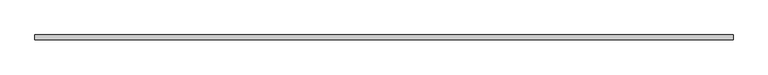
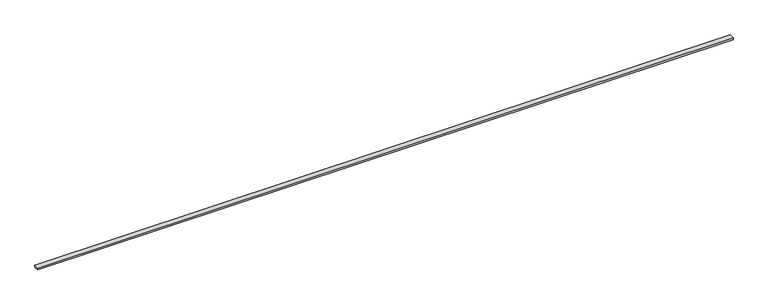
"""IFC4 building model written with IfcOpenShell, lengths in millimetres: beam geometry."""

import ifcopenshell
import ifcopenshell.guid

model = None  # the IFC model being written
_history = None  # IfcOwnerHistory: only IFC2X3 demands one
_inside = {}  # id of a spatial element -> (the spatial element, [elements in it])
_under = {}  # id of a project, library or spatial element -> (it, [spatial elements below it])
_declared = {}  # id of a project -> (the project, [libraries it declares])
_typed = {}  # id of a type object -> (the type object, [elements of that type])
_made_of = {}  # id of a material, layer set ... -> (it, [elements and type objects made of it])


def new_model(schema):
    """Start an empty IFC model of exactly this schema.

    Asked for "IFC4X3", IfcOpenShell would pick the latest addendum, in which some entities
    have other attributes; the version numbers below select the first issue.
    IFC2X3 requires an IfcOwnerHistory on every rooted entity: one is made here for all.
    """
    global model, _history
    if schema == "IFC4X3":
        model = ifcopenshell.file(schema_version=(4, 3, 0, 0))
    else:
        model = ifcopenshell.file(schema=schema)
    _inside.clear()
    _under.clear()
    _declared.clear()
    _typed.clear()
    _made_of.clear()
    _history = None
    if model.schema == "IFC2X3":
        org = make("IfcOrganization", Name="unknown")
        user = make(
            "IfcPersonAndOrganization",
            ThePerson=make("IfcPerson", FamilyName="unknown"),
            TheOrganization=org,
        )
        app = make(
            "IfcApplication",
            ApplicationDeveloper=org,
            Version="unknown",
            ApplicationFullName="unknown",
            ApplicationIdentifier="unknown",
        )
        _history = make(
            "IfcOwnerHistory",
            OwningUser=user,
            OwningApplication=app,
            ChangeAction="ADDED",
            CreationDate=0,
        )
    return model


def make(cls, **values):
    """One entity of the class cls with the attributes given. An attribute that is None is left unset."""
    return model.create_entity(
        cls, **{name: value for name, value in values.items() if value is not None}
    )


def rooted(cls, **values):
    """An entity with a GlobalId (a new one), such as an element, a storey or a relation."""
    return make(cls, GlobalId=ifcopenshell.guid.new(), OwnerHistory=_history, **values)


def si_unit(unit_type, name, prefix=None):
    """IfcSIUnit, for example si_unit("LENGTHUNIT", "METRE", prefix="MILLI")."""
    return make("IfcSIUnit", UnitType=unit_type, Prefix=prefix, Name=name)


def assignment(units):
    """IfcUnitAssignment: the units of a project."""
    return None if units is None else make("IfcUnitAssignment", Units=units)


def point(xyz):
    """IfcCartesianPoint."""
    return None if xyz is None else make("IfcCartesianPoint", Coordinates=xyz)


def direction(xyz):
    """IfcDirection."""
    return None if xyz is None else make("IfcDirection", DirectionRatios=xyz)


def frame(location, z_axis=None, x_axis=None):
    """IfcAxis2Placement3D, a coordinate frame: its origin and axes. An axis left out is left unset."""
    return make(
        "IfcAxis2Placement3D",
        Location=point(location),
        Axis=direction(z_axis),
        RefDirection=direction(x_axis),
    )


def origin():
    """The frame at (0, 0, 0) with its axes left unset."""
    return frame((0.0, 0.0, 0.0))


def place(relative_to, where):
    """IfcLocalPlacement: puts the frame where relative to a parent placement (None: the world)."""
    return make(
        "IfcLocalPlacement", PlacementRelTo=relative_to, RelativePlacement=where
    )


def context(
    kind, dimensions, precision=None, world=None, true_north=None, identifier=None
):
    """IfcGeometricRepresentationContext, for example the 3D "Model" context."""
    return make(
        "IfcGeometricRepresentationContext",
        ContextIdentifier=identifier,
        ContextType=kind,
        CoordinateSpaceDimension=dimensions,
        Precision=precision,
        WorldCoordinateSystem=world,
        TrueNorth=true_north,
    )


def project(units=None, contexts=None):
    """IfcProject with its units and contexts."""
    return rooted(
        "IfcProject",
        Name="project",
        RepresentationContexts=contexts,
        UnitsInContext=assignment(units),
    )


def spatial(cls, under=None, at=None, **own):
    """A site, building, storey or space (cls), placed at a placement, below another one or the project."""
    s = rooted(cls, ObjectPlacement=at, **own)
    if under is not None:
        _under.setdefault(under.id(), (under, []))[1].append(s)
    return s


def polyline(points):
    """IfcPolyline through the points."""
    return make("IfcPolyline", Points=[point(p) for p in points])


def outline(outer, holes=None, kind="AREA"):
    """IfcArbitraryClosedProfileDef: a profile drawn as a closed curve; with holes, ...WithVoids."""
    if holes is None:
        return make("IfcArbitraryClosedProfileDef", ProfileType=kind, OuterCurve=outer)
    return make(
        "IfcArbitraryProfileDefWithVoids",
        ProfileType=kind,
        OuterCurve=outer,
        InnerCurves=holes,
    )


def extrude(swept, where, along, depth):
    """IfcExtrudedAreaSolid: the profile swept, set in the frame where, extruded along a direction by depth."""
    return make(
        "IfcExtrudedAreaSolid",
        SweptArea=swept,
        Position=where,
        ExtrudedDirection=direction(along),
        Depth=depth,
    )


def shape(context_of_items, identifier, shape_type, items):
    """IfcShapeRepresentation: the items that make up one representation, for example the "Body"."""
    return make(
        "IfcShapeRepresentation",
        ContextOfItems=context_of_items,
        RepresentationIdentifier=identifier,
        RepresentationType=shape_type,
        Items=items,
    )


def source(mapping_origin, context_of_items, identifier, shape_type, items):
    """IfcRepresentationMap: a shape defined once, which mapped items show again and again."""
    return make(
        "IfcRepresentationMap",
        MappingOrigin=mapping_origin,
        MappedRepresentation=shape(context_of_items, identifier, shape_type, items),
    )


def transform(
    local_origin,
    x_axis=None,
    y_axis=None,
    z_axis=None,
    scale=None,
    scale2=None,
    scale3=None,
    uniform=True,
):
    """IfcCartesianTransformationOperator3D, or its non-uniform kind. x_axis, y_axis, z_axis: its Axis1, 2, 3."""
    if uniform:
        return make(
            "IfcCartesianTransformationOperator3D",
            Axis1=direction(x_axis),
            Axis2=direction(y_axis),
            LocalOrigin=point(local_origin),
            Scale=scale,
            Axis3=direction(z_axis),
        )
    return make(
        "IfcCartesianTransformationOperator3DnonUniform",
        Axis1=direction(x_axis),
        Axis2=direction(y_axis),
        LocalOrigin=point(local_origin),
        Scale=scale,
        Axis3=direction(z_axis),
        Scale2=scale2,
        Scale3=scale3,
    )


def mapped(mapping_source, mapping_target):
    """IfcMappedItem: shows the shape of a source again, moved by a transform."""
    return make(
        "IfcMappedItem", MappingSource=mapping_source, MappingTarget=mapping_target
    )


def made_of(thing, what):
    """Note that an element or type object is made of a material, layer set ...; save() writes the relation."""
    if what is not None:
        _made_of.setdefault(what.id(), (what, []))[1].append(thing)
    return thing


def element(
    cls,
    number,
    at=None,
    inside=None,
    cuts=None,
    type_object=None,
    material=None,
    context=None,
    identifier="Body",
    shape_type=None,
    held_by="IfcProductDefinitionShape",
    body=None,
    shapes=None,
    **own,
):
    """One element of the class cls, such as IfcWall. Its Tag is "e" and its number.

    at: its placement. inside: the storey or other place that contains it. cuts: it is an
    opening in that element (IfcRelVoidsElement). A single representation is given by context,
    identifier, shape_type and body (its items); several are given by shapes. held_by: the class
    of the entity that holds the representations. save() writes the other relations.
    """
    e = rooted(cls, Tag="e%d" % number, ObjectPlacement=at, **own)
    if body is not None:
        shapes = [shape(context, identifier, shape_type, body)]
    if shapes is not None:
        e.Representation = make(held_by, Representations=shapes)
    if inside is not None:
        _inside.setdefault(inside.id(), (inside, []))[1].append(e)
    if cuts is not None:
        rooted(
            "IfcRelVoidsElement", RelatingBuildingElement=cuts, RelatedOpeningElement=e
        )
    if type_object is not None:
        _typed.setdefault(type_object.id(), (type_object, []))[1].append(e)
    return made_of(e, material)


def aggregate(whole, parts):
    """IfcRelAggregates: a whole, such as a stair, and the parts it consists of."""
    return rooted("IfcRelAggregates", RelatingObject=whole, RelatedObjects=parts)


def save(model, path):
    """Write the relations noted so far, then the file.

    IfcRelAggregates (storeys below a building ...), IfcRelContainedInSpatialStructure (elements
    in a storey), IfcRelDefinesByType, IfcRelAssociatesMaterial and IfcRelDeclares: one each for
    every whole, place, type object, material and project.
    """
    for whole, parts in _under.values():
        aggregate(whole, parts)
    for where, things in _inside.values():
        rooted(
            "IfcRelContainedInSpatialStructure",
            RelatedElements=things,
            RelatingStructure=where,
        )
    for kind, things in _typed.values():
        rooted("IfcRelDefinesByType", RelatedObjects=things, RelatingType=kind)
    for what, things in _made_of.values():
        rooted("IfcRelAssociatesMaterial", RelatedObjects=things, RelatingMaterial=what)
    for by, libraries in _declared.values():
        rooted("IfcRelDeclares", RelatingContext=by, RelatedDefinitions=libraries)
    model.write(path)


def beam_dd1842ab(model_context):
    return source(origin(), model_context, "Body", "SweptSolid", [
        extrude(outline(polyline([(4850.0, -35.0), (-4850.0, -35.0), (-4850.0, 35.0), (4850.0, 35.0), (4850.0, -35.0)])), frame((0.0, 0.0, -14.0), z_axis=(0.0, 0.0, 1.0), x_axis=(1.0, 0.0, 0.0)), (0.0, 0.0, 1.0), 28.0),
    ])


if __name__ == "__main__":
    model = new_model("IFC4")
    model_context = context("Model", 3, world=origin())
    ifc_project = project(units=[si_unit("LENGTHUNIT", "METRE", prefix="MILLI")], contexts=[model_context])
    site = spatial("IfcSite", under=ifc_project)
    building = spatial("IfcBuilding", under=site)
    placement = place(None, origin())
    beam_shape = beam_dd1842ab(model_context)
    element("IfcBeam", 1, at=placement, inside=building, context=model_context, shape_type="MappedRepresentation", body=[
        mapped(beam_shape, transform((0.0, 0.0, 0.0), x_axis=(1.0, 0.0, 0.0), y_axis=(0.0, 1.0, 0.0), z_axis=(0.0, 0.0, 1.0))),
    ])
    save(model, "model.ifc")
